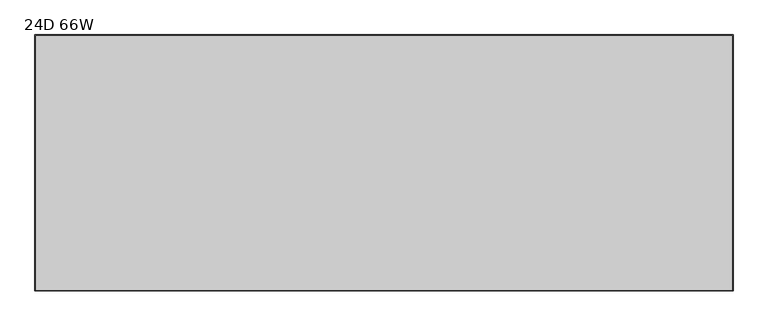
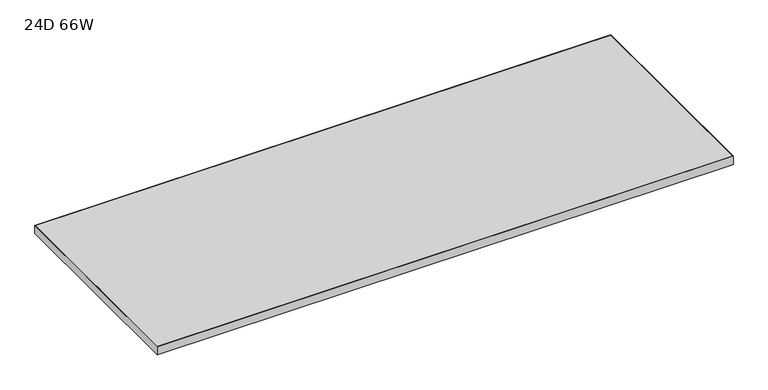
"""IFC4 building model written with IfcOpenShell, lengths in millimetres: furniture geometry, 24D 66W."""

from ifc_helpers import new_model, si_unit, frame, origin, place, context, project, spatial, polyline, outline, extrude, source, transform, mapped, element, save


def furniture_24d_66w_629c47e5(model_context):
    return source(origin(), model_context, "Body", "SweptSolid", [
        extrude(outline(polyline([(1674.8125, -1.5875), (1674.8125, -614.3625), (1.5875, -614.3625), (1.5875, -1.5875), (1674.8125, -1.5875)])), frame((0.0, 0.0, 25.4), z_axis=(0.0, 0.0, 1.0), x_axis=(1.0, 0.0, 0.0)), (0.0, 0.0, 1.0), 25.4),
        extrude(outline(polyline([(0.0, 0.0), (1676.4, 0.0), (1676.4, -615.95), (0.0, -615.95), (0.0, 0.0)]), holes=[polyline([(1.5875, -614.3625), (1674.8125, -614.3625), (1674.8125, -1.5875), (1.5875, -1.5875), (1.5875, -614.3625)])]), frame((0.0, 0.0, 25.4), z_axis=(0.0, 0.0, 1.0), x_axis=(1.0, 0.0, 0.0)), (0.0, 0.0, 1.0), 25.4),
    ])


if __name__ == "__main__":
    model = new_model("IFC4")
    model_context = context("Model", 3, world=origin())
    ifc_project = project(units=[si_unit("LENGTHUNIT", "METRE", prefix="MILLI")], contexts=[model_context])
    site = spatial("IfcSite", under=ifc_project)
    building = spatial("IfcBuilding", under=site)
    placement = place(None, origin())
    furniture_24d_66w_shape = furniture_24d_66w_629c47e5(model_context)
    element("IfcFurniture", 1, ObjectType="24D 66W", at=placement, inside=building, context=model_context, shape_type="MappedRepresentation", body=[
        mapped(furniture_24d_66w_shape, transform((0.0, 0.0, 0.0), x_axis=(1.0, 0.0, 0.0), y_axis=(0.0, 1.0, 0.0), z_axis=(0.0, 0.0, 1.0))),
    ])
    save(model, "model.ifc")
